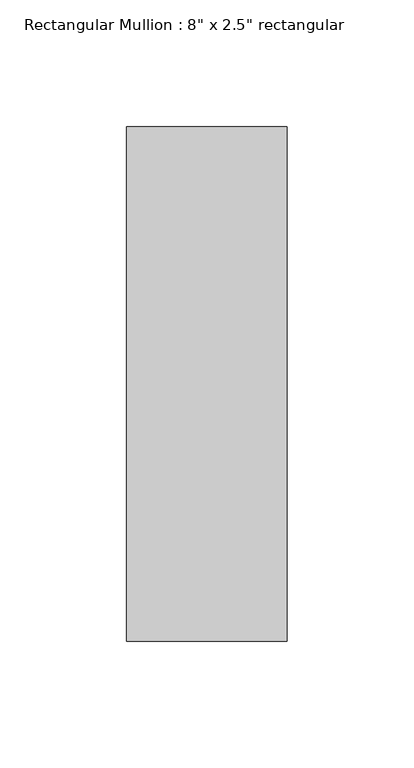
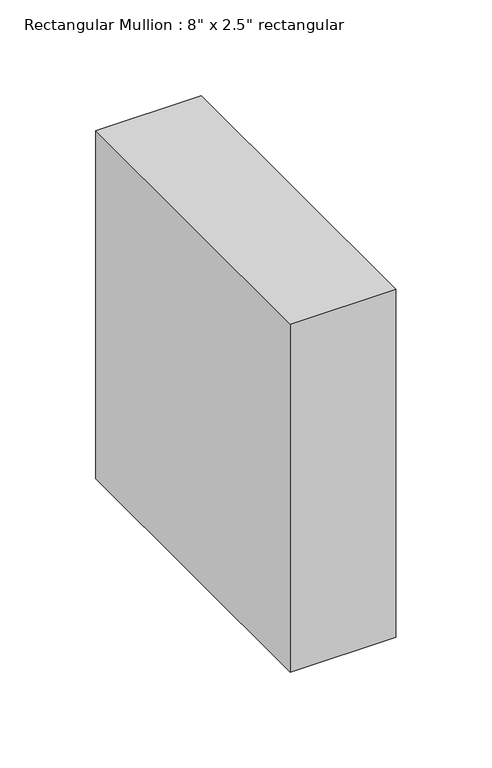
"""IFC4 building model written with IfcOpenShell, lengths in millimetres: member geometry."""

from ifc_helpers import new_model, si_unit, frame, origin, place, context, project, spatial, polyline, outline, extrude, source, transform, mapped, element, save


def member_da03603c(model_context):
    return source(origin(), model_context, "Body", "SweptSolid", [
        extrude(outline(polyline([(31.75, 88.9), (31.75, -114.3), (-31.75, -114.3), (-31.75, 88.9), (31.75, 88.9)])), frame((0.0, 0.0, -221.75), z_axis=(0.0, 0.0, 1.0), x_axis=(1.0, 0.0, 0.0)), (0.0, 0.0, 1.0), 221.75),
    ])


if __name__ == "__main__":
    model = new_model("IFC4")
    model_context = context("Model", 3, world=origin())
    ifc_project = project(units=[si_unit("LENGTHUNIT", "METRE", prefix="MILLI")], contexts=[model_context])
    site = spatial("IfcSite", under=ifc_project)
    building = spatial("IfcBuilding", under=site)
    placement = place(None, origin())
    member_shape = member_da03603c(model_context)
    element("IfcMember", 1, ObjectType="Rectangular Mullion : 8\" x 2.5\" rectangular", at=placement, inside=building, context=model_context, shape_type="MappedRepresentation", body=[
        mapped(member_shape, transform((0.0, 0.0, 0.0), x_axis=(1.0, 0.0, 0.0), y_axis=(0.0, 1.0, 0.0), z_axis=(0.0, 0.0, 1.0))),
    ])
    save(model, "model.ifc")
